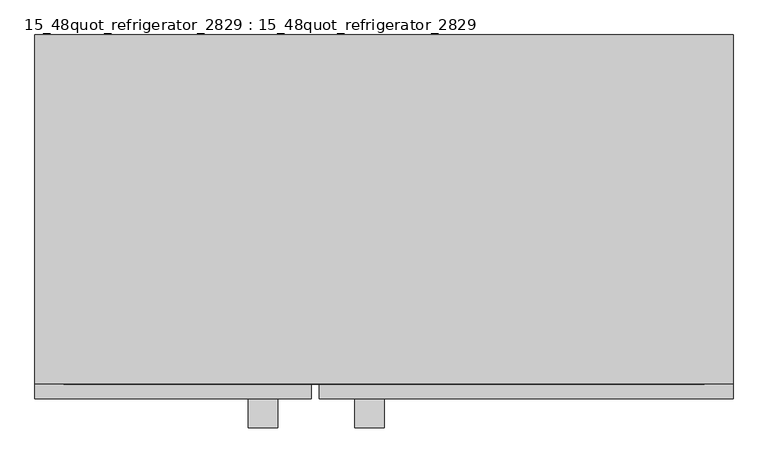
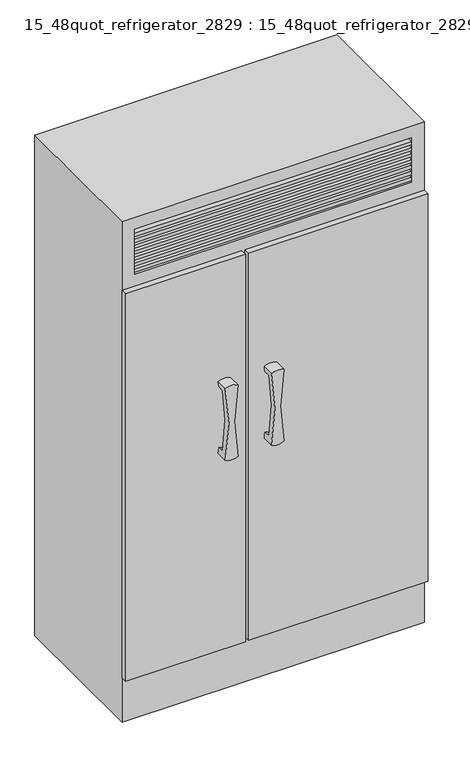
"""IFC4 building model written with IfcOpenShell, lengths in millimetres: furniture geometry, 15_48quot_refrigerator_2829 : 15_48quot_refrigerator_2829."""

from ifc_helpers import new_model, si_unit, frame, origin, place, context, project, spatial, polyline, circle_curve, outline, extrude, faceted_brep, source, transform, mapped, element, save
from ifc_brep_helpers import plane_surface, cylinder_surface, revolved_surface, advanced_brep


def furniture_15_48quot_refrigerator_2829_15_48quot_refrigerator_dbe7eb22(model_context):
    return source(origin(), model_context, "Body", "SolidModel", [
        advanced_brep(
        [(19.0220105, -685.8, 1031.7333613), (19.0220105, -685.8, 1336.5333613), (-32.3466007, -685.8, 1336.5333613), (-32.3466007, -685.8, 1031.7333613), (19.0220105, -635.0, 1031.7333613), (14.9039514, -635.0, 1055.0710987), (14.9039514, -660.4, 1055.0710987), (14.9039514, -660.4, 1313.1956238), (14.9039514, -635.0, 1313.1956238), (19.0220105, -635.0, 1336.5333613), (-32.3466007, -635.0, 1336.5333613), (-28.2285416, -635.0, 1313.1956238), (-28.2285416, -660.4, 1313.1956238), (-28.2285416, -660.4, 1055.0710987), (-28.2285416, -635.0, 1055.0710987), (-32.3466007, -635.0, 1031.7333613)],
        [
            (0, 1, circle_curve(frame((814.5100996, -685.8, 1184.1333613), z_axis=(0.0, 1.0, 0.0), x_axis=(1.0, 0.0, 0.0)), 809.9549739)),
            (1, 2, circle_curve(frame((-6.6622951, -685.8, 1290.3880154), z_axis=(0.0, -1.0, 0.0), x_axis=(1.0, 0.0, 0.0)), 52.811708)),
            (2, 3, circle_curve(frame((-827.8346897, -685.8, 1184.1333613), z_axis=(0.0, 1.0, 0.0), x_axis=(1.0, 0.0, 0.0)), 809.9549739)),
            (3, 0, circle_curve(frame((-6.6622951, -685.8, 1077.8787072), z_axis=(0.0, -1.0, 0.0), x_axis=(1.0, 0.0, 0.0)), 52.811708)),
            (0, 4),
            (4, 5, circle_curve(frame((814.5100996, -635.0, 1184.1333613), z_axis=(0.0, 1.0, 0.0), x_axis=(1.0, 0.0, 0.0)), 809.9549739)),
            (5, 6),
            (6, 7, circle_curve(frame((814.5100996, -660.4, 1184.1333613), z_axis=(0.0, 1.0, 0.0), x_axis=(1.0, 0.0, 0.0)), 809.9549739)),
            (7, 8),
            (8, 9, circle_curve(frame((814.5100996, -635.0, 1184.1333613), z_axis=(0.0, 1.0, 0.0), x_axis=(1.0, 0.0, 0.0)), 809.9549739)),
            (9, 1),
            (2, 10),
            (10, 11, circle_curve(frame((-827.8346897, -635.0, 1184.1333613), z_axis=(0.0, 1.0, 0.0), x_axis=(1.0, 0.0, 0.0)), 809.9549739)),
            (11, 12),
            (12, 13, circle_curve(frame((-827.8346897, -660.4, 1184.1333613), z_axis=(0.0, 1.0, 0.0), x_axis=(1.0, 0.0, 0.0)), 809.9549739)),
            (13, 14),
            (14, 15, circle_curve(frame((-827.8346897, -635.0, 1184.1333613), z_axis=(0.0, 1.0, 0.0), x_axis=(1.0, 0.0, 0.0)), 809.9549739)),
            (15, 3),
            (15, 4, circle_curve(frame((-6.6622951, -635.0, 1077.8787072), z_axis=(0.0, -1.0, 0.0), x_axis=(1.0, 0.0, 0.0)), 52.811708)),
            (14, 5, circle_curve(frame((-6.6622951, -635.0, 1103.2787072), z_axis=(0.0, -1.0, 0.0), x_axis=(1.0, 0.0, 0.0)), 52.811708)),
            (10, 9, circle_curve(frame((-6.6622951, -635.0, 1290.3880154), z_axis=(0.0, 1.0, 0.0), x_axis=(1.0, 0.0, 0.0)), 52.811708)),
            (8, 11, circle_curve(frame((-6.6622951, -635.0, 1264.9880154), z_axis=(0.0, -1.0, 0.0), x_axis=(1.0, 0.0, 0.0)), 52.811708)),
            (13, 6, circle_curve(frame((-6.6622951, -660.4, 1103.2787072), z_axis=(0.0, -1.0, 0.0), x_axis=(1.0, 0.0, 0.0)), 52.811708)),
            (12, 7, circle_curve(frame((-6.6622951, -660.4, 1264.9880154), z_axis=(0.0, 1.0, 0.0), x_axis=(1.0, 0.0, 0.0)), 52.811708)),
        ],
        [
            plane_surface(frame((1624.4650735, -685.8, 1184.1333613), z_axis=(0.0, -1.0, 0.0), x_axis=(0.0, 0.0, -1.0))),
            revolved_surface(polyline([(1624.4650735, -635.0, 1184.1333613), (1624.4650735, -685.8, 1184.1333613)]), (814.5100996, -635.0, 1184.1333613), (0.0, 1.0, 0.0)),
            revolved_surface(polyline([(-17.879715799999985, -635.0, 1184.1333613), (-17.879715799999985, -685.8, 1184.1333613)]), (-827.8346897, -635.0, 1184.1333613), (0.0, 1.0, 0.0)),
            cylinder_surface(frame((-6.6622951, -635.0, 1077.8787072), z_axis=(0.0, -1.0, 0.0), x_axis=(1.0, 0.0, 0.0)), 52.811708),
            plane_surface(frame((1624.4650735, -635.0, 1184.1333613), z_axis=(0.0, 1.0, 0.0), x_axis=(0.0, 0.0, 1.0))),
            revolved_surface(polyline([(46.1494129, -660.4, 1103.2787072), (46.1494129, -635.0, 1103.2787072)]), (-6.6622951, -635.0, 1103.2787072), (0.0, -1.0, 0.0)),
            plane_surface(frame((46.1494129, -660.4, 1264.9880154), z_axis=(0.0, 1.0, 0.0), x_axis=(0.0, 0.0, 1.0))),
            cylinder_surface(frame((-6.6622951, -635.0, 1290.3880154), z_axis=(0.0, -1.0, 0.0), x_axis=(1.0, 0.0, 0.0)), 52.811708),
            revolved_surface(polyline([(46.1494129, -660.4, 1264.9880154), (46.1494129, -635.0, 1264.9880154)]), (-6.6622951, -635.0, 1264.9880154), (0.0, -1.0, 0.0)),
        ],
        [
            (0, [[1, 2, 3, 4]]),
            (1, [[-1, 5, 6, 7, 8, 9, 10, 11]]),
            (2, [[-3, 12, 13, 14, 15, 16, 17, 18]]),
            (3, [[-4, -18, 19, -5]]),
            (4, [[-19, -17, 20, -6]]),
            (4, [[21, -10, 22, -13]]),
            (5, [[23, -7, -20, -16]]),
            (6, [[-23, -15, 24, -8]]),
            (7, [[-2, -11, -21, -12]]),
            (8, [[-24, -14, -22, -9]]),
        ],
    ),
        advanced_brep(
        [(-167.0974682, -685.8, 1031.7333613), (-167.0974682, -685.8, 1336.5333613), (-218.4660795, -685.8, 1336.5333613), (-218.4660795, -685.8, 1031.7333613), (-167.0974682, -635.0, 1031.7333613), (-171.2155273, -635.0, 1055.0710987), (-171.2155273, -660.4, 1055.0710987), (-171.2155273, -660.4, 1313.1956238), (-171.2155273, -635.0, 1313.1956238), (-167.0974682, -635.0, 1336.5333613), (-218.4660795, -635.0, 1336.5333613), (-214.3480203, -635.0, 1313.1956238), (-214.3480203, -660.4, 1313.1956238), (-214.3480203, -660.4, 1055.0710987), (-214.3480203, -635.0, 1055.0710987), (-218.4660795, -635.0, 1031.7333613)],
        [
            (0, 1, circle_curve(frame((628.3906208, -685.8, 1184.1333613), z_axis=(0.0, 1.0, 0.0), x_axis=(1.0, 0.0, 0.0)), 809.9549739)),
            (1, 2, circle_curve(frame((-192.7817738, -685.8, 1290.3880154), z_axis=(0.0, -1.0, 0.0), x_axis=(1.0, 0.0, 0.0)), 52.811708)),
            (2, 3, circle_curve(frame((-1013.9541685, -685.8, 1184.1333613), z_axis=(0.0, 1.0, 0.0), x_axis=(1.0, 0.0, 0.0)), 809.9549739)),
            (3, 0, circle_curve(frame((-192.7817738, -685.8, 1077.8787072), z_axis=(0.0, -1.0, 0.0), x_axis=(1.0, 0.0, 0.0)), 52.811708)),
            (0, 4),
            (4, 5, circle_curve(frame((628.3906208, -635.0, 1184.1333613), z_axis=(0.0, 1.0, 0.0), x_axis=(1.0, 0.0, 0.0)), 809.9549739)),
            (5, 6),
            (6, 7, circle_curve(frame((628.3906208, -660.4, 1184.1333613), z_axis=(0.0, 1.0, 0.0), x_axis=(1.0, 0.0, 0.0)), 809.9549739)),
            (7, 8),
            (8, 9, circle_curve(frame((628.3906208, -635.0, 1184.1333613), z_axis=(0.0, 1.0, 0.0), x_axis=(1.0, 0.0, 0.0)), 809.9549739)),
            (9, 1),
            (2, 10),
            (10, 11, circle_curve(frame((-1013.9541685, -635.0, 1184.1333613), z_axis=(0.0, 1.0, 0.0), x_axis=(1.0, 0.0, 0.0)), 809.9549739)),
            (11, 12),
            (12, 13, circle_curve(frame((-1013.9541685, -660.4, 1184.1333613), z_axis=(0.0, 1.0, 0.0), x_axis=(1.0, 0.0, 0.0)), 809.9549739)),
            (13, 14),
            (14, 15, circle_curve(frame((-1013.9541685, -635.0, 1184.1333613), z_axis=(0.0, 1.0, 0.0), x_axis=(1.0, 0.0, 0.0)), 809.9549739)),
            (15, 3),
            (15, 4, circle_curve(frame((-192.7817738, -635.0, 1077.8787072), z_axis=(0.0, -1.0, 0.0), x_axis=(1.0, 0.0, 0.0)), 52.811708)),
            (14, 5, circle_curve(frame((-192.7817738, -635.0, 1103.2787072), z_axis=(0.0, -1.0, 0.0), x_axis=(1.0, 0.0, 0.0)), 52.811708)),
            (10, 9, circle_curve(frame((-192.7817738, -635.0, 1290.3880154), z_axis=(0.0, 1.0, 0.0), x_axis=(1.0, 0.0, 0.0)), 52.811708)),
            (8, 11, circle_curve(frame((-192.7817738, -635.0, 1264.9880154), z_axis=(0.0, -1.0, 0.0), x_axis=(1.0, 0.0, 0.0)), 52.811708)),
            (13, 6, circle_curve(frame((-192.7817738, -660.4, 1103.2787072), z_axis=(0.0, -1.0, 0.0), x_axis=(1.0, 0.0, 0.0)), 52.811708)),
            (12, 7, circle_curve(frame((-192.7817738, -660.4, 1264.9880154), z_axis=(0.0, 1.0, 0.0), x_axis=(1.0, 0.0, 0.0)), 52.811708)),
        ],
        [
            plane_surface(frame((1438.3455948, -685.8, 1184.1333613), z_axis=(0.0, -1.0, 0.0), x_axis=(0.0, 0.0, -1.0))),
            revolved_surface(polyline([(1438.3455947, -635.0, 1184.1333613), (1438.3455947, -685.8, 1184.1333613)]), (628.3906208, -635.0, 1184.1333613), (0.0, 1.0, 0.0)),
            revolved_surface(polyline([(-203.9991946, -635.0, 1184.1333613), (-203.9991946, -685.8, 1184.1333613)]), (-1013.9541685, -635.0, 1184.1333613), (0.0, 1.0, 0.0)),
            cylinder_surface(frame((-192.7817738, -635.0, 1077.8787072), z_axis=(0.0, -1.0, 0.0), x_axis=(1.0, 0.0, 0.0)), 52.811708),
            plane_surface(frame((1438.3455948, -635.0, 1184.1333613), z_axis=(0.0, 1.0, 0.0), x_axis=(0.0, 0.0, 1.0))),
            revolved_surface(polyline([(-139.9700658, -660.4, 1103.2787072), (-139.9700658, -635.0, 1103.2787072)]), (-192.7817738, -635.0, 1103.2787072), (0.0, -1.0, 0.0)),
            plane_surface(frame((-139.9700658, -660.4, 1264.9880154), z_axis=(0.0, 1.0, 0.0), x_axis=(0.0, 0.0, 1.0))),
            cylinder_surface(frame((-192.7817738, -635.0, 1290.3880154), z_axis=(0.0, -1.0, 0.0), x_axis=(1.0, 0.0, 0.0)), 52.811708),
            revolved_surface(polyline([(-139.9700658, -660.4, 1264.9880154), (-139.9700658, -635.0, 1264.9880154)]), (-192.7817738, -635.0, 1264.9880154), (0.0, -1.0, 0.0)),
        ],
        [
            (0, [[1, 2, 3, 4]]),
            (1, [[-1, 5, 6, 7, 8, 9, 10, 11]]),
            (2, [[-3, 12, 13, 14, 15, 16, 17, 18]]),
            (3, [[-4, -18, 19, -5]]),
            (4, [[-19, -17, 20, -6]]),
            (4, [[21, -10, 22, -13]]),
            (5, [[23, -7, -20, -16]]),
            (6, [[-23, -15, 24, -8]]),
            (7, [[-2, -11, -21, -12]]),
            (8, [[-24, -14, -22, -9]]),
        ],
    ),
        extrude(outline(polyline([(-108.2622951, -635.0), (-590.8622951, -635.0), (-590.8622951, -609.6), (-108.2622951, -609.6), (-108.2622951, -635.0)])), frame((0.0, 0.0, 190.1810535), z_axis=(0.0, 0.0, 1.0), x_axis=(1.0, 0.0, 0.0)), (0.0, 0.0, 1.0), 1651.0),
        extrude(outline(polyline([(628.3377049, -635.0), (-94.5781402, -635.0), (-94.5781402, -609.6), (628.3377049, -609.6), (628.3377049, -635.0)])), frame((0.0, 0.0, 190.1810535), z_axis=(0.0, 0.0, 1.0), x_axis=(1.0, 0.0, 0.0)), (0.0, 0.0, 1.0), 1651.0),
        faceted_brep([(-590.8622951, 0.0, 0.0), (628.3377049, 0.0, 0.0), (628.3377049, -609.6, 0.0), (-590.8622951, -609.6, 0.0), (-590.8622951, 0.0, 2133.6), (628.3377049, 0.0, 2133.6), (628.3377049, -609.6, 2133.6), (-590.8622951, -609.6, 2133.6), (-540.0622951, -609.6, 1891.9810535), (-540.0622951, -609.6, 2082.8), (577.5377049, -609.6, 2082.8), (577.5377049, -609.6, 1891.9810535), (-540.0622951, -584.2, 2082.8), (-540.0622951, -584.2, 1891.9810535), (577.5377049, -584.2, 1891.9810535), (577.5377049, -584.2, 2082.8)], [[[0, 1, 2, 3]], [[4, 5, 1, 0]], [[5, 6, 2, 1]], [[6, 7, 3, 2], [8, 9, 10, 11]], [[7, 4, 0, 3]], [[4, 7, 6, 5]], [[12, 13, 14, 15]], [[13, 12, 9, 8]], [[14, 13, 8, 11]], [[15, 14, 11, 10]], [[12, 15, 10, 9]]]),
        extrude(outline(polyline([(577.5377049, -609.6), (-540.0622951, -609.6), (-540.0622951, -584.2), (577.5377049, -584.2), (577.5377049, -609.6)])), frame((0.0, 0.0, 2052.7213974), z_axis=(0.0, 0.0, 1.0), x_axis=(1.0, 0.0, 0.0)), (0.0, 0.0, 1.0), 13.2537568),
        extrude(outline(polyline([(577.5377049, -609.6), (-540.0622951, -609.6), (-540.0622951, -584.2), (577.5377049, -584.2), (577.5377049, -609.6)])), frame((0.0, 0.0, 2027.3213974), z_axis=(0.0, 0.0, 1.0), x_axis=(1.0, 0.0, 0.0)), (0.0, 0.0, 1.0), 13.2537568),
        extrude(outline(polyline([(577.5377049, -609.6), (-540.0622951, -609.6), (-540.0622951, -584.2), (577.5377049, -584.2), (577.5377049, -609.6)])), frame((0.0, 0.0, 2001.9213974), z_axis=(0.0, 0.0, 1.0), x_axis=(1.0, 0.0, 0.0)), (0.0, 0.0, 1.0), 13.2537568),
        extrude(outline(polyline([(577.5377049, -609.6), (-540.0622951, -609.6), (-540.0622951, -584.2), (577.5377049, -584.2), (577.5377049, -609.6)])), frame((0.0, 0.0, 1976.5213974), z_axis=(0.0, 0.0, 1.0), x_axis=(1.0, 0.0, 0.0)), (0.0, 0.0, 1.0), 13.2537568),
        extrude(outline(polyline([(577.5377049, -609.6), (-540.0622951, -609.6), (-540.0622951, -584.2), (577.5377049, -584.2), (577.5377049, -609.6)])), frame((0.0, 0.0, 1951.1213974), z_axis=(0.0, 0.0, 1.0), x_axis=(1.0, 0.0, 0.0)), (0.0, 0.0, 1.0), 13.2537568),
        extrude(outline(polyline([(577.5377049, -609.6), (-540.0622951, -609.6), (-540.0622951, -584.2), (577.5377049, -584.2), (577.5377049, -609.6)])), frame((0.0, 0.0, 1925.7213974), z_axis=(0.0, 0.0, 1.0), x_axis=(1.0, 0.0, 0.0)), (0.0, 0.0, 1.0), 13.2537568),
        extrude(outline(polyline([(577.5377049, -609.6), (-540.0622951, -609.6), (-540.0622951, -584.2), (577.5377049, -584.2), (577.5377049, -609.6)])), frame((0.0, 0.0, 1900.3213974), z_axis=(0.0, 0.0, 1.0), x_axis=(1.0, 0.0, 0.0)), (0.0, 0.0, 1.0), 13.2537568),
    ])


if __name__ == "__main__":
    model = new_model("IFC4")
    model_context = context("Model", 3, world=origin())
    ifc_project = project(units=[si_unit("LENGTHUNIT", "METRE", prefix="MILLI")], contexts=[model_context])
    site = spatial("IfcSite", under=ifc_project)
    building = spatial("IfcBuilding", under=site)
    placement = place(None, origin())
    furniture_15_48quot_refrigerator_2829_15_48quot_refrigerator_shape = furniture_15_48quot_refrigerator_2829_15_48quot_refrigerator_dbe7eb22(model_context)
    element("IfcFurniture", 1, ObjectType="15_48quot_refrigerator_2829 : 15_48quot_refrigerator_2829", at=placement, inside=building, context=model_context, shape_type="MappedRepresentation", body=[
        mapped(furniture_15_48quot_refrigerator_2829_15_48quot_refrigerator_shape, transform((0.0, 0.0, 0.0), x_axis=(1.0, 0.0, 0.0), y_axis=(0.0, 1.0, 0.0), z_axis=(0.0, 0.0, 1.0))),
    ])
    save(model, "model.ifc")
